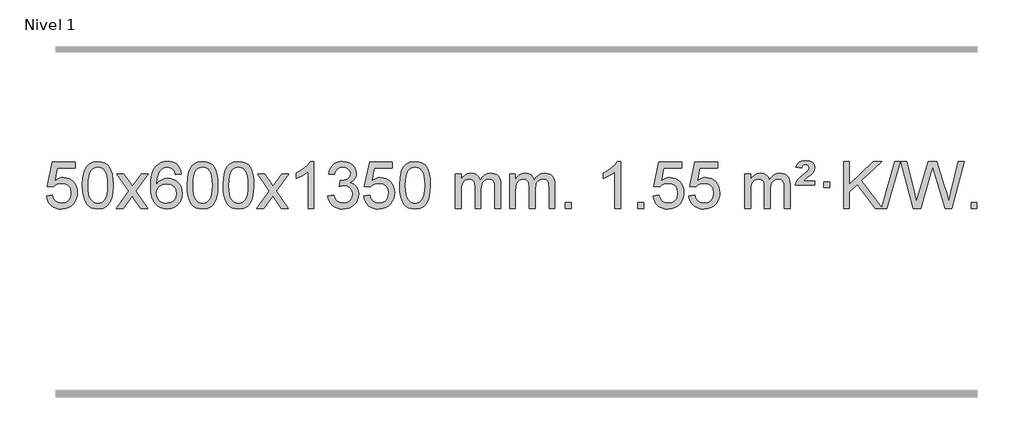
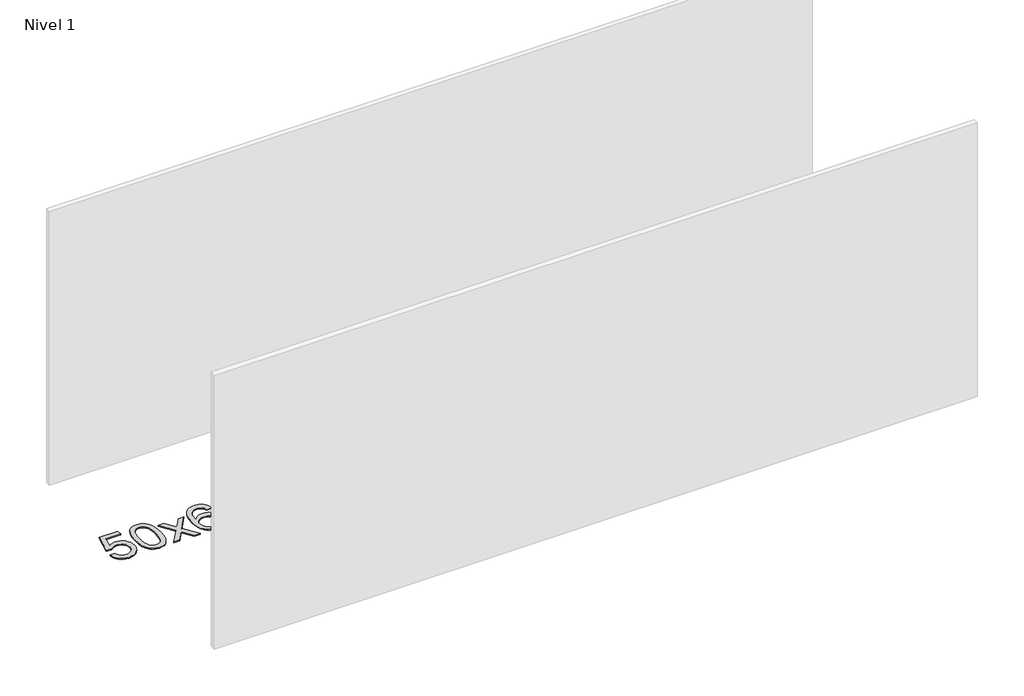
# One storey, part 8 of 9: 1 proxy.
"""IFC4 building model written with IfcOpenShell, lengths in millimetres."""

from ifc_helpers import new_model, si_unit, origin, origin_with_axes, place, context, project, spatial, polyline, outline, extrude, element, save

model = new_model("IFC4")

# Units and contexts
model_context = context("Model", 3, world=origin())
ifc_project = project(units=[si_unit("LENGTHUNIT", "METRE", prefix="MILLI")], contexts=[model_context])

# Site, building, storey
site = spatial("IfcSite", under=ifc_project)
building = spatial("IfcBuilding", under=site)
storey = spatial("IfcBuildingStorey", under=building, Name="Nivel 1", Elevation=0.0)

# Proxy
placement = place(None, origin())
element("IfcBuildingElementProxy", 1, Name="Texto de modelo 1", ObjectType="Texto de modelo 1", at=placement, inside=storey, context=model_context, shape_type="SweptSolid", body=[
    extrude(outline(polyline([(-13109.9934354, 2719.1553765), (-13059.7652803, 2725.4338959), (-13050.543705, 2695.2798351), (-13034.454999, 2673.6851619), (-13011.5727389, 2660.6989275), (-12981.9705011, 2656.3701827), (-12962.8406373, 2657.8754332), (-12945.9671165, 2662.3911847), (-12931.3499385, 2669.9174372), (-12918.9891035, 2680.4541906), (-12909.1605228, 2693.480279), (-12902.1401081, 2708.4745359), (-12896.5237763, 2744.3675559), (-12901.7844888, 2778.1636486), (-12908.3603795, 2792.0818507), (-12917.5666264, 2804.0134901), (-12929.4338865, 2813.5845533), (-12943.9928164, 2820.4210271), (-12981.1856861, 2825.8902061), (-13005.5517369, 2823.7074396), (-13025.2824746, 2817.1591401), (-13041.0400868, 2807.1282243), (-13053.4867609, 2794.4976092), (-13103.714916, 2800.7761285), (-13059.7652803, 3007.9672682), (-12865.1311794, 3007.9672682), (-12865.1311794, 2957.7391131), (-13019.151108, 2957.7391131), (-13040.6354166, 2847.080209), (-13022.9096358, 2859.7844006), (-13004.7546593, 2868.8588231), (-12986.1704872, 2874.3034766), (-12967.1571194, 2876.1183612), (-12942.6960324, 2873.8681496), (-12920.2276395, 2867.117515), (-12899.7519408, 2855.8664573), (-12881.2689362, 2840.1149766), (-12865.9681109, 2820.8256973), (-12855.03895, 2798.961244), (-12848.4814534, 2774.5216168), (-12846.2956212, 2747.5068156), (-12848.2637899, 2721.4852958), (-12854.1682959, 2697.2786606), (-12864.0091393, 2674.8869098), (-12877.78632, 2654.3100435), (-12898.6574919, 2633.2365366), (-12923.01128, 2618.1840316), (-12950.8476843, 2609.1525286), (-12982.1667048, 2606.1420276), (-13008.087057, 2608.0764738), (-13031.4996803, 2613.8798123), (-13052.4045747, 2623.552043), (-13070.8017402, 2637.0931662), (-13086.1086968, 2653.8287312), (-13097.7429649, 2673.084288), (-13105.7045445, 2694.8598364), (-13109.9934354, 2719.1553765)])), origin_with_axes(), (0.0, 0.0, 1.0), 10.0),
    extrude(outline(polyline([(-12802.3459855, 2810.0958057), (-12798.6549029, 2874.4138412), (-12787.5816548, 2925.7088541), (-12769.236606, 2964.7656593), (-12757.378543, 2979.9990395), (-12743.730121, 2992.3690716), (-12728.2453547, 3001.9401349), (-12710.8782588, 3008.7766086), (-12670.4970785, 3014.2457876), (-12639.5459399, 3011.008426), (-12611.832163, 3001.2963414), (-12588.6555973, 2985.4896783), (-12571.3160926, 2963.9685816), (-12558.2194935, 2936.9169922), (-12547.7716449, 2904.5188512), (-12540.9290398, 2863.3773814), (-12538.6481714, 2810.0958057), (-12542.3024659, 2746.1456523), (-12553.2653493, 2694.9732667), (-12571.5000336, 2655.8796734), (-12583.3305054, 2640.6003078), (-12596.9697304, 2628.1658964), (-12612.4728908, 2618.5304538), (-12629.8951689, 2611.6479948), (-12670.4970785, 2606.1420276), (-12698.1618045, 2608.5332606), (-12722.6872709, 2615.7069595), (-12744.0734775, 2627.6631243), (-12762.3204245, 2644.4017551), (-12779.8316074, 2674.6600492), (-12792.3395953, 2712.3618224), (-12799.844388, 2757.5070745), (-12802.3459855, 2810.0958057)]), holes=[polyline([(-12752.1178305, 2810.1939076), (-12750.6463025, 2766.5293805), (-12746.2317185, 2731.1851178), (-12738.8740786, 2704.1611196), (-12728.5733828, 2685.4573858), (-12716.1144459, 2672.7317344), (-12702.2820829, 2663.6419835), (-12687.0762937, 2658.1881329), (-12670.4970785, 2656.3701827), (-12653.9178632, 2658.1942643), (-12638.7120741, 2663.6665089), (-12624.8797111, 2672.7869167), (-12612.4207742, 2685.5554876), (-12602.1200783, 2704.2898783), (-12594.7624384, 2731.3077451), (-12590.3478545, 2766.6090882), (-12588.8763265, 2810.1939076), (-12590.2988035, 2852.7026722), (-12594.5662347, 2887.4246011), (-12601.6786199, 2914.3596945), (-12611.6359592, 2933.5079524), (-12623.8864297, 2946.8559375), (-12637.8782082, 2956.3902125), (-12653.6112949, 2962.1107775), (-12671.0856897, 2964.0176325), (-12687.5790658, 2962.3376381), (-12702.5273375, 2957.2976548), (-12715.9305049, 2948.8976825), (-12727.7885679, 2937.1377214), (-12738.4326203, 2916.291075), (-12746.0355148, 2888.1848906), (-12750.5972516, 2852.8191681), (-12752.1178305, 2810.1939076)])]), origin_with_axes(), (0.0, 0.0, 1.0), 10.0),
    extrude(outline(polyline([(-12513.5340939, 2612.420547), (-12406.2106531, 2760.7505675), (-12507.2555745, 2907.5109581), (-12446.8248254, 2907.5109581), (-12398.0681983, 2836.877615), (-12375.3085655, 2803.5229808), (-12355.5900906, 2830.7952993), (-12300.0644348, 2907.5109581), (-12239.6336857, 2907.5109581), (-12345.7799041, 2760.7505675), (-12243.5577603, 2612.420547), (-12303.9885094, 2612.420547), (-12365.498379, 2701.5951426), (-12376.7800935, 2717.8800523), (-12453.1033448, 2612.420547), (-12513.5340939, 2612.420547)])), origin_with_axes(), (0.0, 0.0, 1.0), 10.0),
    extrude(outline(polyline([(-11954.7458687, 2907.5109581), (-12004.9740237, 2901.2324387), (-12013.0674276, 2926.125787), (-12024.0057856, 2943.1219352), (-12046.7899439, 2958.7937082), (-12074.3320426, 2964.0176325), (-12097.6802865, 2960.9764747), (-12119.6551044, 2951.8530012), (-12138.5274507, 2932.6372983), (-12153.9417063, 2906.1865829), (-12164.3527668, 2868.772984), (-12168.2155277, 2816.6686307), (-12148.0678571, 2840.1762902), (-12123.9225355, 2856.7432427), (-12097.1284635, 2866.565692), (-12069.0345418, 2869.8398418), (-12044.9014829, 2867.601893), (-12022.6323595, 2860.8880466), (-12002.2271715, 2849.6983025), (-11983.6859189, 2834.0326609), (-11968.2777947, 2814.8230894), (-11957.2719917, 2793.0015557), (-11950.6685099, 2768.5680599), (-11948.4673493, 2741.5226018), (-11952.6121531, 2705.5560055), (-11965.0465645, 2672.213634), (-11984.740514, 2643.9357713), (-12010.6639319, 2623.1627013), (-12041.6395959, 2610.397196), (-12076.4902836, 2606.1420276), (-12106.4328123, 2608.9624563), (-12133.4752046, 2617.4237421), (-12157.6174606, 2631.5258853), (-12178.8595801, 2651.2688857), (-12196.177625, 2677.4866092), (-12208.5476571, 2711.0129217), (-12215.9696764, 2751.8478232), (-12218.4436828, 2799.9913136), (-12215.6968306, 2853.9657337), (-12207.4562739, 2900.0306908), (-12193.7220127, 2938.1861851), (-12174.4940471, 2968.4322165), (-12153.6535321, 2988.4756538), (-12129.4898164, 3002.7923948), (-12102.0029, 3011.3824394), (-12071.1927829, 3014.2457876), (-12048.0591367, 3012.4738227), (-12027.1205198, 3007.1579278), (-12008.3769322, 2998.2981031), (-11991.8283738, 2985.8943485), (-11977.9224344, 2970.3635969), (-11967.1067037, 2952.1227814), (-11959.3811818, 2931.1719017), (-11954.7458687, 2907.5109581)]), holes=[polyline([(-12168.2155277, 2742.3074168), (-12165.30926, 2720.0505561), (-12156.5904567, 2698.7992395), (-12143.0523993, 2680.527767), (-12125.6883691, 2667.2104388), (-12104.7313581, 2659.0802467), (-12080.4143582, 2656.3701827), (-12047.2681904, 2661.9865145), (-12033.353054, 2669.0069292), (-12021.2098825, 2678.8355099), (-12011.359842, 2691.0737176), (-12004.3240989, 2705.3230135), (-11998.6955043, 2739.8548701), (-12004.2505225, 2773.0010379), (-12011.1942951, 2786.6218688), (-12020.9155769, 2798.274531), (-12033.0955366, 2807.6095366), (-12047.4153432, 2814.2773978), (-12082.4744974, 2819.6116867), (-12115.5716142, 2814.2773978), (-12143.248603, 2798.274531), (-12154.1716326, 2786.7751529), (-12161.9737965, 2773.6141746), (-12166.6550949, 2758.7915958), (-12168.2155277, 2742.3074168)])]), origin_with_axes(), (0.0, 0.0, 1.0), 10.0),
    extrude(outline(polyline([(-11904.5177136, 2810.0958057), (-11900.8266309, 2874.4138412), (-11889.7533828, 2925.7088541), (-11871.408334, 2964.7656593), (-11859.550271, 2979.9990395), (-11845.901849, 2992.3690716), (-11830.4170827, 3001.9401349), (-11813.0499869, 3008.7766086), (-11772.6688065, 3014.2457876), (-11741.717668, 3011.008426), (-11714.003891, 3001.2963414), (-11690.8273253, 2985.4896783), (-11673.4878206, 2963.9685816), (-11660.3912216, 2936.9169922), (-11649.9433729, 2904.5188512), (-11643.1007678, 2863.3773814), (-11640.8198994, 2810.0958057), (-11644.4741939, 2746.1456523), (-11655.4370774, 2694.9732667), (-11673.6717616, 2655.8796734), (-11685.5022334, 2640.6003078), (-11699.1414584, 2628.1658964), (-11714.6446188, 2618.5304538), (-11732.066897, 2611.6479948), (-11772.6688065, 2606.1420276), (-11800.3335326, 2608.5332606), (-11824.8589989, 2615.7069595), (-11846.2452055, 2627.6631243), (-11864.4921525, 2644.4017551), (-11882.0033355, 2674.6600492), (-11894.5113233, 2712.3618224), (-11902.016116, 2757.5070745), (-11904.5177136, 2810.0958057)]), holes=[polyline([(-11854.2895585, 2810.1939076), (-11852.8180305, 2766.5293805), (-11848.4034466, 2731.1851178), (-11841.0458067, 2704.1611196), (-11830.7451108, 2685.4573858), (-11818.2861739, 2672.7317344), (-11804.4538109, 2663.6419835), (-11789.2480218, 2658.1881329), (-11772.6688065, 2656.3701827), (-11756.0895913, 2658.1942643), (-11740.8838021, 2663.6665089), (-11727.0514391, 2672.7869167), (-11714.5925022, 2685.5554876), (-11704.2918063, 2704.2898783), (-11696.9341664, 2731.3077451), (-11692.5195825, 2766.6090882), (-11691.0480545, 2810.1939076), (-11692.4705316, 2852.7026722), (-11696.7379627, 2887.4246011), (-11703.8503479, 2914.3596945), (-11713.8076873, 2933.5079524), (-11726.0581577, 2946.8559375), (-11740.0499363, 2956.3902125), (-11755.7830229, 2962.1107775), (-11773.2574177, 2964.0176325), (-11789.7507938, 2962.3376381), (-11804.6990656, 2957.2976548), (-11818.1022329, 2948.8976825), (-11829.9602959, 2937.1377214), (-11840.6043483, 2916.291075), (-11848.2072429, 2888.1848906), (-11852.7689796, 2852.8191681), (-11854.2895585, 2810.1939076)])]), origin_with_axes(), (0.0, 0.0, 1.0), 10.0),
    extrude(outline(polyline([(-11596.8702638, 2810.0958057), (-11593.1791811, 2874.4138412), (-11582.105933, 2925.7088541), (-11563.7608842, 2964.7656593), (-11551.9028212, 2979.9990395), (-11538.2543992, 2992.3690716), (-11522.7696329, 3001.9401349), (-11505.402537, 3008.7766086), (-11465.0213567, 3014.2457876), (-11434.0702182, 3011.008426), (-11406.3564412, 3001.2963414), (-11383.1798755, 2985.4896783), (-11365.8403708, 2963.9685816), (-11352.7437718, 2936.9169922), (-11342.2959231, 2904.5188512), (-11335.453318, 2863.3773814), (-11333.1724496, 2810.0958057), (-11336.8267441, 2746.1456523), (-11347.7896275, 2694.9732667), (-11366.0243118, 2655.8796734), (-11377.8547836, 2640.6003078), (-11391.4940086, 2628.1658964), (-11406.997169, 2618.5304538), (-11424.4194471, 2611.6479948), (-11465.0213567, 2606.1420276), (-11492.6860827, 2608.5332606), (-11517.2115491, 2615.7069595), (-11538.5977557, 2627.6631243), (-11556.8447027, 2644.4017551), (-11574.3558856, 2674.6600492), (-11586.8638735, 2712.3618224), (-11594.3686662, 2757.5070745), (-11596.8702638, 2810.0958057)]), holes=[polyline([(-11546.6421087, 2810.1939076), (-11545.1705807, 2766.5293805), (-11540.7559968, 2731.1851178), (-11533.3983568, 2704.1611196), (-11523.097661, 2685.4573858), (-11510.6387241, 2672.7317344), (-11496.8063611, 2663.6419835), (-11481.6005719, 2658.1881329), (-11465.0213567, 2656.3701827), (-11448.4421414, 2658.1942643), (-11433.2363523, 2663.6665089), (-11419.4039893, 2672.7869167), (-11406.9450524, 2685.5554876), (-11396.6443565, 2704.2898783), (-11389.2867166, 2731.3077451), (-11384.8721327, 2766.6090882), (-11383.4006047, 2810.1939076), (-11384.8230817, 2852.7026722), (-11389.0905129, 2887.4246011), (-11396.2028981, 2914.3596945), (-11406.1602375, 2933.5079524), (-11418.4107079, 2946.8559375), (-11432.4024864, 2956.3902125), (-11448.1355731, 2962.1107775), (-11465.6099679, 2964.0176325), (-11482.103344, 2962.3376381), (-11497.0516157, 2957.2976548), (-11510.4547831, 2948.8976825), (-11522.3128461, 2937.1377214), (-11532.9568985, 2916.291075), (-11540.559793, 2888.1848906), (-11545.1215298, 2852.8191681), (-11546.6421087, 2810.1939076)])]), origin_with_axes(), (0.0, 0.0, 1.0), 10.0),
    extrude(outline(polyline([(-11308.0583721, 2612.420547), (-11200.7349313, 2760.7505675), (-11301.7798527, 2907.5109581), (-11241.3491036, 2907.5109581), (-11192.5924765, 2836.877615), (-11169.8328437, 2803.5229808), (-11150.1143688, 2830.7952993), (-11094.588713, 2907.5109581), (-11034.1579639, 2907.5109581), (-11140.3041823, 2760.7505675), (-11038.0820385, 2612.420547), (-11098.5127876, 2612.420547), (-11160.0226572, 2701.5951426), (-11171.3043717, 2717.8800523), (-11247.627623, 2612.420547), (-11308.0583721, 2612.420547)])), origin_with_axes(), (0.0, 0.0, 1.0), 10.0),
    extrude(outline(polyline([(-10818.3338601, 2612.420547), (-10868.5620152, 2612.420547), (-10868.5620152, 2925.5617013), (-10889.5312889, 2908.6023413), (-10916.1414199, 2891.6675068), (-10969.0183253, 2866.3081746), (-10969.0183253, 2913.7894775), (-10929.5691127, 2935.2492605), (-10895.3928753, 2960.780271), (-10868.4516506, 2987.9299622), (-10850.7074757, 3014.2457876), (-10818.3338601, 3014.2457876), (-10818.3338601, 2612.420547)])), origin_with_axes(), (0.0, 0.0, 1.0), 10.0),
    extrude(outline(polyline([(-10699.0419918, 2719.1553765), (-10648.8138367, 2725.4338959), (-10637.5689104, 2693.8696207), (-10621.1000597, 2672.5569905), (-10598.5979444, 2660.4168846), (-10569.2532239, 2656.3701827), (-10534.8194691, 2661.9374636), (-10520.5456477, 2668.8965646), (-10508.2338636, 2678.6393061), (-10491.2377154, 2703.5571799), (-10485.5723327, 2733.7725545), (-10491.1886645, 2762.4550874), (-10508.0376599, 2785.7174922), (-10533.5441449, 2801.1317478), (-10565.1329455, 2806.269833), (-10600.3515152, 2800.7761285), (-10594.7597089, 2851.0042836), (-10586.7153559, 2850.4156724), (-10556.6226087, 2854.020916), (-10529.7181721, 2864.8366466), (-10518.6449241, 2873.0158897), (-10510.7354612, 2883.1326445), (-10505.9897835, 2895.1869112), (-10504.4078909, 2909.1786898), (-10508.9941531, 2930.8714648), (-10522.7529397, 2948.4684869), (-10543.7467389, 2960.1303461), (-10570.0380388, 2964.0176325), (-10596.3783897, 2960.0935579), (-10617.9117491, 2948.3213341), (-10633.632573, 2928.700961), (-10642.5353173, 2901.2324387), (-10692.7634724, 2907.5109581), (-10686.8099154, 2931.4907328), (-10677.9746162, 2952.6132907), (-10666.2575747, 2970.8786317), (-10651.6587908, 2986.286756), (-10634.6381172, 2998.5188323), (-10615.6554062, 3007.2560297), (-10594.710658, 3012.4983481), (-10571.8038724, 3014.2457876), (-10540.2273345, 3010.7999596), (-10511.2259705, 3000.4624755), (-10486.7740806, 2984.1530404), (-10468.8459647, 2962.7913592), (-10457.846293, 2938.1800537), (-10454.1797358, 2912.1217457), (-10457.662352, 2887.8415341), (-10468.1102007, 2865.8176653), (-10485.376129, 2847.0556835), (-10509.3129841, 2832.5611329), (-10477.8713363, 2819.8569414), (-10454.5721433, 2798.22548), (-10440.151169, 2768.8439714), (-10435.3441776, 2732.8896377), (-10437.7476733, 2707.4076782), (-10444.9581605, 2683.9368069), (-10456.975639, 2662.4770238), (-10473.8001089, 2643.028329), (-10494.2972674, 2626.8905722), (-10517.3328116, 2615.363603), (-10542.9067417, 2608.4474215), (-10571.0190575, 2606.1420276), (-10596.4274406, 2608.1101963), (-10619.5794808, 2614.0147023), (-10640.4751782, 2623.8555457), (-10659.1145326, 2637.6327264), (-10674.743386, 2654.5369041), (-10686.6075804, 2673.7587383), (-10694.7071156, 2695.2982292), (-10699.0419918, 2719.1553765)])), origin_with_axes(), (0.0, 0.0, 1.0), 10.0),
    extrude(outline(polyline([(-10391.394542, 2719.1553765), (-10341.1663869, 2725.4338959), (-10331.9448115, 2695.2798351), (-10315.8561056, 2673.6851619), (-10292.9738455, 2660.6989275), (-10263.3716076, 2656.3701827), (-10244.2417439, 2657.8754332), (-10227.368223, 2662.3911847), (-10212.7510451, 2669.9174372), (-10200.3902101, 2680.4541906), (-10190.5616294, 2693.480279), (-10183.5412147, 2708.4745359), (-10177.9248829, 2744.3675559), (-10183.1855954, 2778.1636486), (-10189.7614861, 2792.0818507), (-10198.967733, 2804.0134901), (-10210.834993, 2813.5845533), (-10225.393923, 2820.4210271), (-10262.5867927, 2825.8902061), (-10286.9528435, 2823.7074396), (-10306.6835812, 2817.1591401), (-10322.4411933, 2807.1282243), (-10334.8878675, 2794.4976092), (-10385.1160226, 2800.7761285), (-10341.1663869, 3007.9672682), (-10146.532286, 3007.9672682), (-10146.532286, 2957.7391131), (-10300.5522146, 2957.7391131), (-10322.0365231, 2847.080209), (-10304.3107423, 2859.7844006), (-10286.1557659, 2868.8588231), (-10267.5715937, 2874.3034766), (-10248.558226, 2876.1183612), (-10224.097139, 2873.8681496), (-10201.6287461, 2867.117515), (-10181.1530474, 2855.8664573), (-10162.6700428, 2840.1149766), (-10147.3692175, 2820.8256973), (-10136.4400566, 2798.961244), (-10129.88256, 2774.5216168), (-10127.6967278, 2747.5068156), (-10129.6648965, 2721.4852958), (-10135.5694025, 2697.2786606), (-10145.4102459, 2674.8869098), (-10159.1874266, 2654.3100435), (-10180.0585985, 2633.2365366), (-10204.4123865, 2618.1840316), (-10232.2487908, 2609.1525286), (-10263.5678114, 2606.1420276), (-10289.4881636, 2608.0764738), (-10312.9007869, 2613.8798123), (-10333.8056813, 2623.552043), (-10352.2028467, 2637.0931662), (-10367.5098034, 2653.8287312), (-10379.1440715, 2673.084288), (-10387.105651, 2694.8598364), (-10391.394542, 2719.1553765)])), origin_with_axes(), (0.0, 0.0, 1.0), 10.0),
    extrude(outline(polyline([(-10083.7470921, 2810.0958057), (-10080.0560094, 2874.4138412), (-10068.9827614, 2925.7088541), (-10050.6377126, 2964.7656593), (-10038.7796496, 2979.9990395), (-10025.1312276, 2992.3690716), (-10009.6464612, 3001.9401349), (-9992.2793654, 3008.7766086), (-9951.8981851, 3014.2457876), (-9920.9470465, 3011.008426), (-9893.2332696, 3001.2963414), (-9870.0567039, 2985.4896783), (-9852.7171992, 2963.9685816), (-9839.6206001, 2936.9169922), (-9829.1727515, 2904.5188512), (-9822.3301463, 2863.3773814), (-9820.049278, 2810.0958057), (-9823.7035725, 2746.1456523), (-9834.6664559, 2694.9732667), (-9852.9011401, 2655.8796734), (-9864.731612, 2640.6003078), (-9878.3708369, 2628.1658964), (-9893.8739974, 2618.5304538), (-9911.2962755, 2611.6479948), (-9951.8981851, 2606.1420276), (-9979.5629111, 2608.5332606), (-10004.0883774, 2615.7069595), (-10025.4745841, 2627.6631243), (-10043.721531, 2644.4017551), (-10061.232714, 2674.6600492), (-10073.7407019, 2712.3618224), (-10081.2454946, 2757.5070745), (-10083.7470921, 2810.0958057)]), holes=[polyline([(-10033.518937, 2810.1939076), (-10032.0474091, 2766.5293805), (-10027.6328251, 2731.1851178), (-10020.2751852, 2704.1611196), (-10009.9744894, 2685.4573858), (-9997.5155525, 2672.7317344), (-9983.6831894, 2663.6419835), (-9968.4774003, 2658.1881329), (-9951.8981851, 2656.3701827), (-9935.3189698, 2658.1942643), (-9920.1131807, 2663.6665089), (-9906.2808176, 2672.7869167), (-9893.8218807, 2685.5554876), (-9883.5211849, 2704.2898783), (-9876.163545, 2731.3077451), (-9871.748961, 2766.6090882), (-9870.2774331, 2810.1939076), (-9871.6999101, 2852.7026722), (-9875.9673412, 2887.4246011), (-9883.0797265, 2914.3596945), (-9893.0370658, 2933.5079524), (-9905.2875363, 2946.8559375), (-9919.2793148, 2956.3902125), (-9935.0124015, 2962.1107775), (-9952.4867962, 2964.0176325), (-9968.9801724, 2962.3376381), (-9983.9284441, 2957.2976548), (-9997.3316115, 2948.8976825), (-10009.1896744, 2937.1377214), (-10019.8337268, 2916.291075), (-10027.4366214, 2888.1848906), (-10031.9983581, 2852.8191681), (-10033.518937, 2810.1939076)])]), origin_with_axes(), (0.0, 0.0, 1.0), 10.0),
    extrude(outline(polyline([(-9606.5796189, 2612.420547), (-9606.5796189, 2907.5109581), (-9556.3514638, 2907.5109581), (-9556.3514638, 2858.9505347), (-9541.2437766, 2881.2564463), (-9521.8196072, 2898.7308411), (-9498.7411434, 2910.0248184), (-9472.6705727, 2913.7894775), (-9444.7360665, 2909.951242), (-9422.3443157, 2898.4365355), (-9405.6179477, 2880.0056476), (-9394.6795897, 2855.4188676), (-9376.3713291, 2880.9560094), (-9355.4878945, 2899.196825), (-9332.0292859, 2910.1413143), (-9305.9955034, 2913.7894775), (-9285.8876867, 2912.2719642), (-9268.2385479, 2907.7194245), (-9253.0480872, 2900.1318584), (-9240.3163045, 2889.5092658), (-9230.2516663, 2875.7290194), (-9223.0626389, 2858.6684918), (-9218.7492225, 2838.3276832), (-9217.3114171, 2814.7065934), (-9217.3114171, 2612.420547), (-9267.5395722, 2612.420547), (-9267.5395722, 2793.124183), (-9268.7045318, 2818.1769469), (-9272.1994108, 2835.0627305), (-9278.7477103, 2846.6264879), (-9289.0729316, 2855.7131732), (-9302.3534716, 2861.5992851), (-9317.7677272, 2863.5613224), (-9344.9787321, 2858.5336018), (-9367.1620165, 2843.45044), (-9375.7673895, 2831.8805512), (-9381.9140845, 2817.2817674), (-9386.8314405, 2778.9975144), (-9386.8314405, 2612.420547), (-9437.0595955, 2612.420547), (-9437.0595955, 2798.7159894), (-9439.9658633, 2827.1164794), (-9448.6846666, 2847.3745146), (-9464.0253458, 2859.5146204), (-9486.7972413, 2863.5613224), (-9506.1478342, 2860.8635211), (-9523.9778483, 2852.7701172), (-9538.6931281, 2839.4773144), (-9548.6995183, 2821.1813165), (-9554.4384775, 2795.7974589), (-9556.3514638, 2761.2410768), (-9556.3514638, 2612.420547), (-9606.5796189, 2612.420547)])), origin_with_axes(), (0.0, 0.0, 1.0), 10.0),
    extrude(outline(polyline([(-9141.9691845, 2612.420547), (-9141.9691845, 2907.5109581), (-9091.7410294, 2907.5109581), (-9091.7410294, 2858.9505347), (-9076.6333421, 2881.2564463), (-9057.2091728, 2898.7308411), (-9034.130709, 2910.0248184), (-9008.0601382, 2913.7894775), (-8980.1256321, 2909.951242), (-8957.7338813, 2898.4365355), (-8941.0075132, 2880.0056476), (-8930.0691552, 2855.4188676), (-8911.7608946, 2880.9560094), (-8890.87746, 2899.196825), (-8867.4188515, 2910.1413143), (-8841.3850689, 2913.7894775), (-8821.2772522, 2912.2719642), (-8803.6281135, 2907.7194245), (-8788.4376528, 2900.1318584), (-8775.7058701, 2889.5092658), (-8765.6412318, 2875.7290194), (-8758.4522045, 2858.6684918), (-8754.1387881, 2838.3276832), (-8752.7009826, 2814.7065934), (-8752.7009826, 2612.420547), (-8802.9291377, 2612.420547), (-8802.9291377, 2793.124183), (-8804.0940974, 2818.1769469), (-8807.5889763, 2835.0627305), (-8814.1372758, 2846.6264879), (-8824.4624972, 2855.7131732), (-8837.7430372, 2861.5992851), (-8853.1572928, 2863.5613224), (-8880.3682977, 2858.5336018), (-8902.551582, 2843.45044), (-8911.156955, 2831.8805512), (-8917.30365, 2817.2817674), (-8922.221006, 2778.9975144), (-8922.221006, 2612.420547), (-8972.4491611, 2612.420547), (-8972.4491611, 2798.7159894), (-8975.3554289, 2827.1164794), (-8984.0742321, 2847.3745146), (-8999.4149113, 2859.5146204), (-9022.1868068, 2863.5613224), (-9041.5373998, 2860.8635211), (-9059.3674138, 2852.7701172), (-9074.0826936, 2839.4773144), (-9084.0890839, 2821.1813165), (-9089.828043, 2795.7974589), (-9091.7410294, 2761.2410768), (-9091.7410294, 2612.420547), (-9141.9691845, 2612.420547)])), origin_with_axes(), (0.0, 0.0, 1.0), 10.0),
    extrude(outline(polyline([(-8664.8017113, 2612.420547), (-8664.8017113, 2662.6487021), (-8614.5735562, 2662.6487021), (-8614.5735562, 2612.420547), (-8664.8017113, 2612.420547)])), origin_with_axes(), (0.0, 0.0, 1.0), 10.0),
    extrude(outline(polyline([(-8187.634238, 2612.420547), (-8237.8623931, 2612.420547), (-8237.8623931, 2925.5617013), (-8258.8316668, 2908.6023413), (-8285.4417978, 2891.6675068), (-8338.3187033, 2866.3081746), (-8338.3187033, 2913.7894775), (-8298.8694907, 2935.2492605), (-8264.6932533, 2960.780271), (-8237.7520285, 2987.9299622), (-8220.0078536, 3014.2457876), (-8187.634238, 3014.2457876), (-8187.634238, 2612.420547)])), origin_with_axes(), (0.0, 0.0, 1.0), 10.0),
    extrude(outline(polyline([(-8043.2282922, 2612.420547), (-8043.2282922, 2662.6487021), (-7993.0001371, 2662.6487021), (-7993.0001371, 2612.420547), (-8043.2282922, 2612.420547)])), origin_with_axes(), (0.0, 0.0, 1.0), 10.0),
    extrude(outline(polyline([(-7911.3793851, 2719.1553765), (-7861.1512301, 2725.4338959), (-7851.9296547, 2695.2798351), (-7835.8409488, 2673.6851619), (-7812.9586887, 2660.6989275), (-7783.3564508, 2656.3701827), (-7764.2265871, 2657.8754332), (-7747.3530662, 2662.3911847), (-7732.7358883, 2669.9174372), (-7720.3750532, 2680.4541906), (-7710.5464726, 2693.480279), (-7703.5260579, 2708.4745359), (-7697.9097261, 2744.3675559), (-7703.1704386, 2778.1636486), (-7709.7463293, 2792.0818507), (-7718.9525762, 2804.0134901), (-7730.8198362, 2813.5845533), (-7745.3787662, 2820.4210271), (-7782.5716359, 2825.8902061), (-7806.9376867, 2823.7074396), (-7826.6684244, 2817.1591401), (-7842.4260365, 2807.1282243), (-7854.8727107, 2794.4976092), (-7905.1008658, 2800.7761285), (-7861.1512301, 3007.9672682), (-7666.5171291, 3007.9672682), (-7666.5171291, 2957.7391131), (-7820.5370578, 2957.7391131), (-7842.0213663, 2847.080209), (-7824.2955855, 2859.7844006), (-7806.1406091, 2868.8588231), (-7787.5564369, 2874.3034766), (-7768.5430691, 2876.1183612), (-7744.0819821, 2873.8681496), (-7721.6135893, 2867.117515), (-7701.1378906, 2855.8664573), (-7682.654886, 2840.1149766), (-7667.3540607, 2820.8256973), (-7656.4248997, 2798.961244), (-7649.8674032, 2774.5216168), (-7647.681571, 2747.5068156), (-7649.6497397, 2721.4852958), (-7655.5542457, 2697.2786606), (-7665.3950891, 2674.8869098), (-7679.1722698, 2654.3100435), (-7700.0434416, 2633.2365366), (-7724.3972297, 2618.1840316), (-7752.233634, 2609.1525286), (-7783.5526545, 2606.1420276), (-7809.4730068, 2608.0764738), (-7832.8856301, 2613.8798123), (-7853.7905245, 2623.552043), (-7872.1876899, 2637.0931662), (-7887.4946466, 2653.8287312), (-7899.1289147, 2673.084288), (-7907.0904942, 2694.8598364), (-7911.3793851, 2719.1553765)])), origin_with_axes(), (0.0, 0.0, 1.0), 10.0),
    extrude(outline(polyline([(-7603.7319353, 2719.1553765), (-7553.5037802, 2725.4338959), (-7544.2822049, 2695.2798351), (-7528.193499, 2673.6851619), (-7505.3112389, 2660.6989275), (-7475.709001, 2656.3701827), (-7456.5791372, 2657.8754332), (-7439.7056164, 2662.3911847), (-7425.0884384, 2669.9174372), (-7412.7276034, 2680.4541906), (-7402.8990228, 2693.480279), (-7395.878608, 2708.4745359), (-7390.2622762, 2744.3675559), (-7395.5229888, 2778.1636486), (-7402.0988794, 2792.0818507), (-7411.3051264, 2804.0134901), (-7423.1723864, 2813.5845533), (-7437.7313163, 2820.4210271), (-7474.9241861, 2825.8902061), (-7499.2902369, 2823.7074396), (-7519.0209745, 2817.1591401), (-7534.7785867, 2807.1282243), (-7547.2252608, 2794.4976092), (-7597.4534159, 2800.7761285), (-7553.5037802, 3007.9672682), (-7358.8696793, 3007.9672682), (-7358.8696793, 2957.7391131), (-7512.889608, 2957.7391131), (-7534.3739165, 2847.080209), (-7516.6481357, 2859.7844006), (-7498.4931592, 2868.8588231), (-7479.9089871, 2874.3034766), (-7460.8956193, 2876.1183612), (-7436.4345323, 2873.8681496), (-7413.9661395, 2867.117515), (-7393.4904407, 2855.8664573), (-7375.0074362, 2840.1149766), (-7359.7066109, 2820.8256973), (-7348.7774499, 2798.961244), (-7342.2199533, 2774.5216168), (-7340.0341212, 2747.5068156), (-7342.0022898, 2721.4852958), (-7347.9067959, 2697.2786606), (-7357.7476392, 2674.8869098), (-7371.5248199, 2654.3100435), (-7392.3959918, 2633.2365366), (-7416.7497799, 2618.1840316), (-7444.5861842, 2609.1525286), (-7475.9052047, 2606.1420276), (-7501.825557, 2608.0764738), (-7525.2381803, 2613.8798123), (-7546.1430746, 2623.552043), (-7564.5402401, 2637.0931662), (-7579.8471968, 2653.8287312), (-7591.4814649, 2673.084288), (-7599.4430444, 2694.8598364), (-7603.7319353, 2719.1553765)])), origin_with_axes(), (0.0, 0.0, 1.0), 10.0),
    extrude(outline(polyline([(-7126.5644621, 2612.420547), (-7126.5644621, 2907.5109581), (-7076.336307, 2907.5109581), (-7076.336307, 2858.9505347), (-7061.2286197, 2881.2564463), (-7041.8044504, 2898.7308411), (-7018.7259866, 2910.0248184), (-6992.6554158, 2913.7894775), (-6964.7209097, 2909.951242), (-6942.3291589, 2898.4365355), (-6925.6027909, 2880.0056476), (-6914.6644329, 2855.4188676), (-6896.3561722, 2880.9560094), (-6875.4727377, 2899.196825), (-6852.0141291, 2910.1413143), (-6825.9803466, 2913.7894775), (-6805.8725298, 2912.2719642), (-6788.2233911, 2907.7194245), (-6773.0329304, 2900.1318584), (-6760.3011477, 2889.5092658), (-6750.2365094, 2875.7290194), (-6743.0474821, 2858.6684918), (-6738.7340657, 2838.3276832), (-6737.2962603, 2814.7065934), (-6737.2962603, 2612.420547), (-6787.5244153, 2612.420547), (-6787.5244153, 2793.124183), (-6788.689375, 2818.1769469), (-6792.1842539, 2835.0627305), (-6798.7325535, 2846.6264879), (-6809.0577748, 2855.7131732), (-6822.3383148, 2861.5992851), (-6837.7525704, 2863.5613224), (-6864.9635753, 2858.5336018), (-6887.1468596, 2843.45044), (-6895.7522326, 2831.8805512), (-6901.8989276, 2817.2817674), (-6906.8162836, 2778.9975144), (-6906.8162836, 2612.420547), (-6957.0444387, 2612.420547), (-6957.0444387, 2798.7159894), (-6959.9507065, 2827.1164794), (-6968.6695098, 2847.3745146), (-6984.010189, 2859.5146204), (-7006.7820845, 2863.5613224), (-7026.1326774, 2860.8635211), (-7043.9626914, 2852.7701172), (-7058.6779713, 2839.4773144), (-7068.6843615, 2821.1813165), (-7074.4233206, 2795.7974589), (-7076.336307, 2761.2410768), (-7076.336307, 2612.420547), (-7126.5644621, 2612.420547)])), origin_with_axes(), (0.0, 0.0, 1.0), 10.0),
    extrude(outline(polyline([(-6693.3466246, 2813.3331673), (-6689.5206518, 2829.1520931), (-6681.1819933, 2845.0200698), (-6659.6731593, 2870.1586728), (-6627.7164766, 2897.8969753), (-6583.5706372, 2935.273786), (-6576.4337265, 2946.8007552), (-6574.0547563, 2958.6220299), (-6575.9432172, 2970.7130848), (-6581.6085999, 2980.4987459), (-6590.977328, 2986.973469), (-6603.9758252, 2989.1317101), (-6616.4102366, 2987.5130293), (-6625.26393, 2982.656987), (-6631.6896022, 2973.1901569), (-6636.8399501, 2957.7391131), (-6687.0681052, 2964.0176325), (-6676.2278491, 2989.2298119), (-6659.5995829, 3006.7900458), (-6635.834406, 3017.0907417), (-6603.5834178, 3020.524307), (-6567.8007624, 3016.3917659), (-6543.0545668, 3003.9941427), (-6528.6335926, 2985.6613566), (-6523.8266012, 2963.7233269), (-6527.9223541, 2940.8165414), (-6540.2096127, 2919.1850801), (-6560.737428, 2899.3685032), (-6597.2067965, 2871.3113697), (-6622.8113834, 2844.7257642), (-6523.8266012, 2844.7257642), (-6523.8266012, 2813.3331673), (-6693.3466246, 2813.3331673)])), origin_with_axes(), (0.0, 0.0, 1.0), 10.0),
    extrude(outline(polyline([(-6448.4843686, 2788.2190898), (-6448.4843686, 2838.4472448), (-6398.2562135, 2838.4472448), (-6398.2562135, 2788.2190898), (-6448.4843686, 2788.2190898)])), origin_with_axes(), (0.0, 0.0, 1.0), 10.0),
    extrude(outline(polyline([(-6007.6145856, 2612.420547), (-6161.045903, 2815.0990009), (-6228.7361901, 2750.5479735), (-6228.7361901, 2612.420547), (-6278.9643452, 2612.420547), (-6278.9643452, 3014.2457876), (-6228.7361901, 3014.2457876), (-6228.7361901, 2817.5515475), (-6022.7222728, 3014.2457876), (-5952.4813372, 3014.2457876), (-6125.4349259, 2849.0422463), (-5950.781316, 2618.4650668), (-5839.4679883, 3014.2457876), (-5794.1449265, 3014.2457876), (-5907.1582754, 2612.420547), (-5946.2028178, 2612.420547), (-5952.4813372, 2612.420547), (-6007.6145856, 2612.420547)])), origin_with_axes(), (0.0, 0.0, 1.0), 10.0),
    extrude(outline(polyline([(-5679.6600496, 2612.420547), (-5789.2398332, 3014.2457876), (-5737.4420483, 3014.2457876), (-5673.8720395, 2750.155566), (-5654.2516665, 2668.6329159), (-5633.2578673, 2740.7377869), (-5553.5991526, 3014.2457876), (-5478.943633, 3014.2457876), (-5421.0635325, 2815.9819177), (-5396.268286, 2742.4055186), (-5377.9968136, 2668.6329159), (-5358.9650517, 2747.8011212), (-5294.8064317, 3014.2457876), (-5243.0086468, 3014.2457876), (-5352.6865323, 2612.420547), (-5406.3482526, 2612.420547), (-5502.6842845, 2922.4224416), (-5516.12424, 2965.6853642), (-5531.2319273, 2913.5932737), (-5619.0330968, 2612.420547), (-5679.6600496, 2612.420547)])), origin_with_axes(), (0.0, 0.0, 1.0), 10.0),
    extrude(outline(polyline([(-5186.5019723, 2612.420547), (-5186.5019723, 2662.6487021), (-5136.2738173, 2662.6487021), (-5136.2738173, 2612.420547), (-5186.5019723, 2612.420547)])), origin_with_axes(), (0.0, 0.0, 1.0), 10.0),
])

save(model, "model.ifc")
